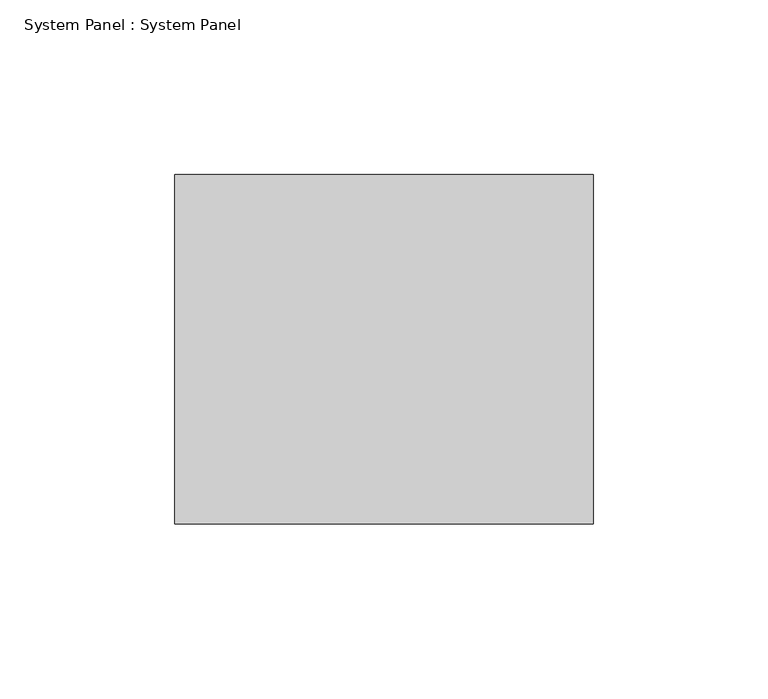
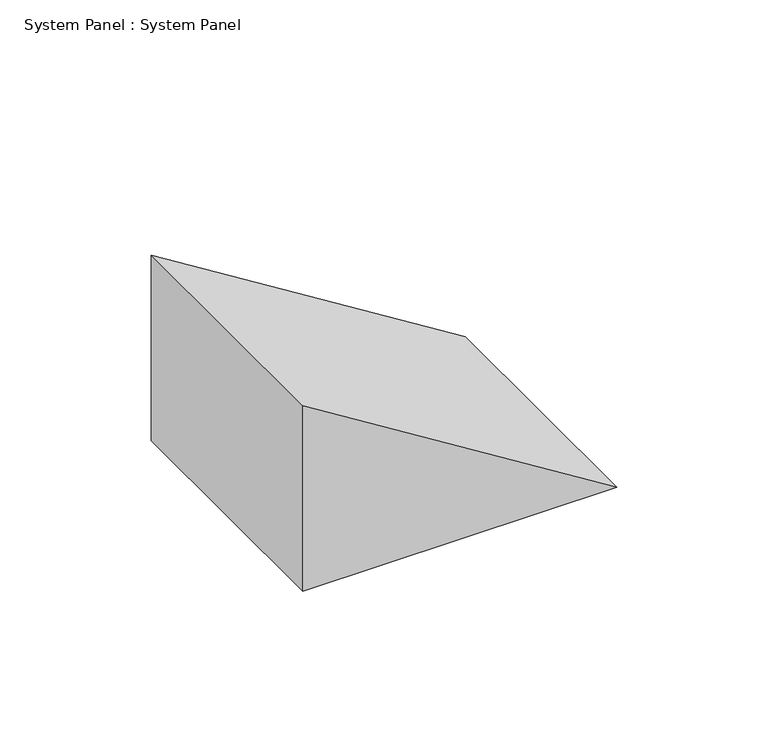
"""IFC4 building model written with IfcOpenShell, lengths in millimetres: plate geometry, System Panel : System Panel."""

from ifc_helpers import new_model, si_unit, point, frame, frame_2d, origin, place, context, project, spatial, polyline, circle_curve, trimmed, segment, composite_curve, outline, extrude, source, transform, mapped, element, save


def system_panel_system_panel_4f19f1e7(model_context):
    return source(origin(), model_context, "Body", "SweptSolid", [
        extrude(outline(composite_curve([segment(trimmed(circle_curve(frame_2d((3610.2388382, 2232.1008232)), 4213.3746925), [point((0.0, 59.8435111))], [point((74.7731733, -59.8435111))], True, "CARTESIAN"), True, "CONTINUOUS"), segment(polyline([(74.7731733, -59.8435111), (0.0, -59.8435111), (0.0, 59.8435111)]), True, "CONTINUOUS")], self_intersect=False)), frame((0.0, -50.0, 0.0), z_axis=(0.0, 1.0, 0.0), x_axis=(0.0, 0.0, 1.0)), (0.0, 0.0, 1.0), 100.0),
    ])


if __name__ == "__main__":
    model = new_model("IFC4")
    model_context = context("Model", 3, world=origin())
    ifc_project = project(units=[si_unit("LENGTHUNIT", "METRE", prefix="MILLI")], contexts=[model_context])
    site = spatial("IfcSite", under=ifc_project)
    building = spatial("IfcBuilding", under=site)
    placement = place(None, origin())
    system_panel_system_panel_shape = system_panel_system_panel_4f19f1e7(model_context)
    element("IfcPlate", 1, ObjectType="System Panel : System Panel", at=placement, inside=building, context=model_context, shape_type="MappedRepresentation", body=[
        mapped(system_panel_system_panel_shape, transform((0.0, 0.0, 0.0), x_axis=(1.0, 0.0, 0.0), y_axis=(0.0, 1.0, 0.0), z_axis=(0.0, 0.0, 1.0))),
    ])
    save(model, "model.ifc")
